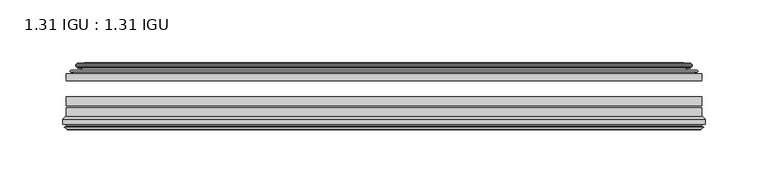
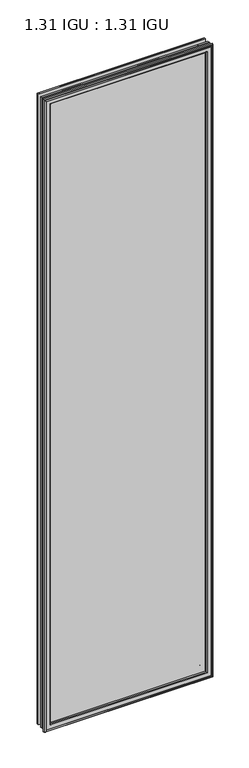
"""IFC4 building model written with IfcOpenShell, lengths in millimetres: plate geometry, 1.31 IGU : 1.31 IGU."""

from ifc_helpers import new_model, si_unit, frame, origin, place, context, project, spatial, polyline, ellipse_curve, outline, extrude, source, transform, mapped, element, save
from ifc_brep_helpers import plane_surface, cylinder_surface, revolved_surface, advanced_brep


def plate_1_31_igu_1_31_igu_d328f730(model_context):
    return source(origin(), model_context, "Body", "SolidModel", [
        extrude(outline(polyline([(252.4075649, -44.8960875), (252.4075649, -50.4332875), (-252.4125, -50.4332875), (-252.4125, -44.8960875), (252.4075649, -44.8960875)])), frame((0.0, 0.0, -14.2875), z_axis=(0.0, 0.0, 1.0), x_axis=(1.0, 0.0, 0.0)), (0.0, 0.0, 1.0), 2009.67848),
        extrude(outline(polyline([(-252.4125, -78.7796875), (-252.4125, -71.7692875), (252.4075649, -71.7692875), (252.4075649, -78.7796875), (-252.4125, -78.7796875)])), frame((0.0, 0.0, -14.2875), z_axis=(0.0, 0.0, 1.0), x_axis=(1.0, 0.0, 0.0)), (0.0, 0.0, 1.0), 2009.67848),
        extrude(outline(polyline([(-252.4125, -70.2452875), (-252.4125, -63.1332875), (252.4075649, -63.1332875), (252.4075649, -70.2452875), (-252.4125, -70.2452875)])), frame((0.0, 0.0, -14.2875), z_axis=(0.0, 0.0, 1.0), x_axis=(1.0, 0.0, 0.0)), (0.0, 0.0, 1.0), 2009.67848),
        advanced_brep(
        [(-243.0671755, -37.7373382, 1986.0456555), (-238.1255426, -36.3108875, 1981.1040226), (-238.1255426, -36.3108875, -0.0005426), (-243.0671755, -37.7373382, -4.9421755), (-242.9020702, -36.9605789, 1985.8805502), (-242.9020702, -36.9605789, -4.7770702), (-243.4975559, -36.4771203, 1986.4760359), (-243.4975559, -36.4771203, -5.3725559), (-244.7621917, -37.766076, 1987.7406717), (-244.7621917, -37.766076, -6.6371917), (-244.7513749, -38.8797852, 1987.7298549), (-244.7513749, -38.8797852, -6.6263749), (-243.4698897, -40.1361433, 1986.4483697), (-243.4698897, -40.1361433, -5.3448897), (-242.8648829, -39.649943, 1985.8433629), (-242.8648829, -39.649943, -4.7398829), (-243.4188972, -39.0959287, 1986.3973772), (-243.4188972, -39.0959287, -5.2938972), (-241.1330887, -38.7029881, 1984.1115687), (-241.1330887, -38.7029881, -3.0080887), (-239.6740157, -40.2107282, 1982.6524957), (-239.6740157, -40.2107282, -1.5490157), (-239.9705976, -41.651269, 1982.9490776), (-239.9705976, -41.651269, -1.8455976), (-240.7418221, -42.2798875, 1983.7203021), (-240.7418221, -42.2798875, -2.6168221), (-249.0457984, -43.4871542, 1992.0242784), (-248.7705969, -42.2798875, 1991.7490769), (-248.7705969, -42.2798875, -10.6455969), (-249.0457984, -43.4871542, -10.9207984), (-245.5882297, -44.8960875, 1988.5667097), (-245.5882297, -44.8960875, -7.4632297), (-234.4906059, -44.023302, 1977.4690859), (-234.8459439, -44.8960875, 1977.8244239), (-234.8459439, -44.8960875, 3.2790561), (-234.4906059, -44.023302, 3.6343941), (-235.161804, -43.3681812, 1978.140284), (-235.161804, -43.3681812, 2.963196), (-236.8025946, -40.6686056, 1979.7810746), (-236.8025946, -40.6686056, 1.3224054), (238.1255426, -36.3108875, -0.0005426), (243.0671755, -37.7373382, -4.9421755), (242.9020702, -36.9605789, -4.7770702), (243.4975559, -36.4771203, -5.3725559), (244.7621917, -37.766076, -6.6371917), (244.7513749, -38.8797852, -6.6263749), (243.4698897, -40.1361433, -5.3448897), (242.8648829, -39.649943, -4.7398829), (243.4188972, -39.0959287, -5.2938972), (241.1330887, -38.7029881, -3.0080887), (239.6740157, -40.2107282, -1.5490157), (239.9705976, -41.651269, -1.8455976), (240.7418221, -42.2798875, -2.6168221), (248.7705969, -42.2798875, -10.6455969), (249.0457984, -43.4871542, -10.9207984), (245.5882297, -44.8960875, -7.4632297), (234.8459439, -44.8960875, 3.2790561), (234.4906059, -44.023302, 3.6343941), (235.161804, -43.3681812, 2.963196), (236.8025946, -40.6686056, 1.3224054), (238.1255426, -36.3108875, 1981.1040226), (243.0671755, -37.7373382, 1986.0456555), (242.9020702, -36.9605789, 1985.8805502), (243.4975559, -36.4771203, 1986.4760359), (244.7621917, -37.766076, 1987.7406717), (244.7513749, -38.8797852, 1987.7298549), (243.4698897, -40.1361433, 1986.4483697), (242.8648829, -39.649943, 1985.8433629), (243.4188972, -39.0959287, 1986.3973772), (241.1330887, -38.7029881, 1984.1115687), (239.6740157, -40.2107282, 1982.6524957), (239.9705976, -41.651269, 1982.9490776), (240.7418221, -42.2798875, 1983.7203021), (248.7705969, -42.2798875, 1991.7490769), (249.0457984, -43.4871542, 1992.0242784), (245.5882297, -44.8960875, 1988.5667097), (234.8459439, -44.8960875, 1977.8244239), (234.4906059, -44.023302, 1977.4690859), (235.161804, -43.3681812, 1978.140284), (236.8025946, -40.6686056, 1979.7810746)],
        [
            (0, 1),
            (1, 2),
            (2, 3),
            (3, 0),
            (4, 0),
            (3, 5),
            (5, 4),
            (6, 4, ellipse_curve(frame((-243.2225871, -36.746901, 1986.2010671), z_axis=(-0.7071067811865475, 0.0, -0.7071067811865475), x_axis=(-0.7071067811865474, 0.0, 0.7071067811865476)), 0.5447741, 0.3852135)),
            (5, 7, ellipse_curve(frame((-243.2225871, -36.746901, -5.0975871), z_axis=(-0.7071067811865475, 0.0, 0.7071067811865475), x_axis=(0.7071067811865474, 0.0, 0.7071067811865476)), 0.5447741, 0.3852135)),
            (7, 6),
            (8, 6),
            (7, 9),
            (9, 8),
            (10, 8, ellipse_curve(frame((-244.2001387, -38.3175243, 1987.1786187), z_axis=(-0.7071067811865475, 0.0, -0.7071067811865475), x_axis=(-0.7071067811865474, 0.0, 0.7071067811865476)), 1.1135518, 0.7874)),
            (9, 11, ellipse_curve(frame((-244.2001387, -38.3175243, -6.0751387), z_axis=(-0.7071067811865475, 0.0, 0.7071067811865475), x_axis=(0.7071067811865474, 0.0, 0.7071067811865476)), 1.1135518, 0.7874)),
            (11, 10),
            (12, 10),
            (11, 13),
            (13, 12),
            (14, 12, ellipse_curve(frame((-243.1962922, -39.8570738, 1986.1747722), z_axis=(-0.7071067811865475, 0.0, -0.7071067811865475), x_axis=(-0.7071067811865474, 0.0, 0.7071067811865476)), 0.552694, 0.3908137)),
            (13, 15, ellipse_curve(frame((-243.1962922, -39.8570738, -5.0712922), z_axis=(-0.7071067811865475, 0.0, 0.7071067811865475), x_axis=(0.7071067811865474, 0.0, 0.7071067811865476)), 0.552694, 0.3908137)),
            (15, 14),
            (16, 14),
            (15, 17),
            (17, 16),
            (18, 16),
            (17, 19),
            (19, 18),
            (20, 18, ellipse_curve(frame((-240.9179261, -39.954629, 1983.8964061), z_axis=(0.7071067811865475, 0.0, 0.7071067811865475), x_axis=(0.7071067811865474, 0.0, -0.7071067811865476)), 1.7960512, 1.27)),
            (19, 21, ellipse_curve(frame((-240.9179261, -39.954629, -2.7929261), z_axis=(0.7071067811865475, 0.0, -0.7071067811865475), x_axis=(-0.7071067811865474, 0.0, -0.7071067811865476)), 1.7960512, 1.27)),
            (21, 20),
            (22, 20),
            (21, 23),
            (23, 22),
            (24, 22, ellipse_curve(frame((-240.7418221, -41.4924875, 1983.7203021), z_axis=(0.7071067811865475, 0.0, 0.7071067811865475), x_axis=(0.7071067811865474, 0.0, -0.7071067811865476)), 1.1135518, 0.7874)),
            (23, 25, ellipse_curve(frame((-240.7418221, -41.4924875, -2.6168221), z_axis=(0.7071067811865475, 0.0, -0.7071067811865475), x_axis=(-0.7071067811865474, 0.0, -0.7071067811865476)), 1.1135518, 0.7874)),
            (25, 24),
            (26, 27, ellipse_curve(frame((-248.7705969, -42.9148875, 1991.7490769), z_axis=(-0.7071067811865475, 0.0, -0.7071067811865475), x_axis=(-0.7071067811865474, 0.0, 0.7071067811865476)), 0.8980256, 0.635)),
            (27, 28),
            (28, 29, ellipse_curve(frame((-248.7705969, -42.9148875, -10.6455969), z_axis=(-0.7071067811865475, 0.0, 0.7071067811865475), x_axis=(0.7071067811865474, 0.0, 0.7071067811865476)), 0.8980256, 0.635)),
            (29, 26),
            (30, 26),
            (29, 31),
            (31, 30),
            (32, 33, ellipse_curve(frame((-234.8459439, -44.3873602, 1977.8244239), z_axis=(-0.7071067811865475, 0.0, -0.7071067811865475), x_axis=(-0.7071067811865474, 0.0, 0.7071067811865476)), 0.719449, 0.5087273)),
            (33, 34),
            (34, 35, ellipse_curve(frame((-234.8459439, -44.3873602, 3.2790561), z_axis=(-0.7071067811865475, 0.0, 0.7071067811865475), x_axis=(0.7071067811865474, 0.0, 0.7071067811865476)), 0.719449, 0.5087273)),
            (35, 32),
            (36, 32),
            (35, 37),
            (37, 36),
            (38, 36, ellipse_curve(frame((-230.7264298, -38.823959, 1973.7049098), z_axis=(0.7071067811865475, 0.0, 0.7071067811865475), x_axis=(0.7071067811865474, 0.0, -0.7071067811865476)), 8.9802561, 6.35)),
            (37, 39, ellipse_curve(frame((-230.7264298, -38.823959, 7.3985702), z_axis=(0.7071067811865475, 0.0, -0.7071067811865475), x_axis=(-0.7071067811865474, 0.0, -0.7071067811865476)), 8.9802561, 6.35)),
            (39, 38),
            (1, 38),
            (39, 2),
            (2, 40),
            (40, 41),
            (41, 3),
            (41, 42),
            (42, 5),
            (42, 43, ellipse_curve(frame((243.2225871, -36.746901, -5.0975871), z_axis=(-0.7071067811865475, 0.0, -0.7071067811865475), x_axis=(-0.7071067811865476, 0.0, 0.7071067811865474)), 0.5447741, 0.3852135)),
            (43, 7),
            (43, 44),
            (44, 9),
            (44, 45, ellipse_curve(frame((244.2001387, -38.3175243, -6.0751387), z_axis=(-0.7071067811865475, 0.0, -0.7071067811865475), x_axis=(-0.7071067811865476, 0.0, 0.7071067811865474)), 1.1135518, 0.7874)),
            (45, 11),
            (45, 46),
            (46, 13),
            (46, 47, ellipse_curve(frame((243.1962922, -39.8570738, -5.0712922), z_axis=(-0.7071067811865475, 0.0, -0.7071067811865475), x_axis=(-0.7071067811865476, 0.0, 0.7071067811865474)), 0.552694, 0.3908137)),
            (47, 15),
            (47, 48),
            (48, 17),
            (48, 49),
            (49, 19),
            (49, 50, ellipse_curve(frame((240.9179261, -39.954629, -2.7929261), z_axis=(0.7071067811865475, 0.0, 0.7071067811865475), x_axis=(0.7071067811865476, 0.0, -0.7071067811865474)), 1.7960512, 1.27)),
            (50, 21),
            (50, 51),
            (51, 23),
            (51, 52, ellipse_curve(frame((240.7418221, -41.4924875, -2.6168221), z_axis=(0.7071067811865475, 0.0, 0.7071067811865475), x_axis=(0.7071067811865476, 0.0, -0.7071067811865474)), 1.1135518, 0.7874)),
            (52, 25),
            (28, 53),
            (53, 54, ellipse_curve(frame((248.7705969, -42.9148875, -10.6455969), z_axis=(-0.7071067811865475, 0.0, -0.7071067811865475), x_axis=(-0.7071067811865476, 0.0, 0.7071067811865474)), 0.8980256, 0.635)),
            (54, 29),
            (54, 55),
            (55, 31),
            (34, 56),
            (56, 57, ellipse_curve(frame((234.8459439, -44.3873602, 3.2790561), z_axis=(-0.7071067811865475, 0.0, -0.7071067811865475), x_axis=(-0.7071067811865476, 0.0, 0.7071067811865474)), 0.719449, 0.5087273)),
            (57, 35),
            (57, 58),
            (58, 37),
            (58, 59, ellipse_curve(frame((230.7264298, -38.823959, 7.3985702), z_axis=(0.7071067811865475, 0.0, 0.7071067811865475), x_axis=(0.7071067811865476, 0.0, -0.7071067811865474)), 8.9802561, 6.35)),
            (59, 39),
            (59, 40),
            (40, 60),
            (60, 61),
            (61, 41),
            (61, 62),
            (62, 42),
            (62, 63, ellipse_curve(frame((243.2225871, -36.746901, 1986.2010671), z_axis=(0.7071067811865475, 0.0, -0.7071067811865475), x_axis=(-0.7071067811865474, 0.0, -0.7071067811865476)), 0.5447741, 0.3852135)),
            (63, 43),
            (63, 64),
            (64, 44),
            (64, 65, ellipse_curve(frame((244.2001387, -38.3175243, 1987.1786187), z_axis=(0.7071067811865475, 0.0, -0.7071067811865475), x_axis=(-0.7071067811865474, 0.0, -0.7071067811865476)), 1.1135518, 0.7874)),
            (65, 45),
            (65, 66),
            (66, 46),
            (66, 67, ellipse_curve(frame((243.1962922, -39.8570738, 1986.1747722), z_axis=(0.7071067811865475, 0.0, -0.7071067811865475), x_axis=(-0.7071067811865474, 0.0, -0.7071067811865476)), 0.552694, 0.3908137)),
            (67, 47),
            (67, 68),
            (68, 48),
            (68, 69),
            (69, 49),
            (69, 70, ellipse_curve(frame((240.9179261, -39.954629, 1983.8964061), z_axis=(-0.7071067811865475, 0.0, 0.7071067811865475), x_axis=(0.7071067811865474, 0.0, 0.7071067811865476)), 1.7960512, 1.27)),
            (70, 50),
            (70, 71),
            (71, 51),
            (71, 72, ellipse_curve(frame((240.7418221, -41.4924875, 1983.7203021), z_axis=(-0.7071067811865475, 0.0, 0.7071067811865475), x_axis=(0.7071067811865474, 0.0, 0.7071067811865476)), 1.1135518, 0.7874)),
            (72, 52),
            (53, 73),
            (73, 74, ellipse_curve(frame((248.7705969, -42.9148875, 1991.7490769), z_axis=(0.7071067811865475, 0.0, -0.7071067811865475), x_axis=(-0.7071067811865474, 0.0, -0.7071067811865476)), 0.8980256, 0.635)),
            (74, 54),
            (74, 75),
            (75, 55),
            (56, 76),
            (76, 77, ellipse_curve(frame((234.8459439, -44.3873602, 1977.8244239), z_axis=(0.7071067811865475, 0.0, -0.7071067811865475), x_axis=(-0.7071067811865474, 0.0, -0.7071067811865476)), 0.719449, 0.5087273)),
            (77, 57),
            (77, 78),
            (78, 58),
            (78, 79, ellipse_curve(frame((230.7264298, -38.823959, 1973.7049098), z_axis=(-0.7071067811865475, 0.0, 0.7071067811865475), x_axis=(0.7071067811865474, 0.0, 0.7071067811865476)), 8.9802561, 6.35)),
            (79, 59),
            (79, 60),
            (60, 1),
            (0, 61),
            (4, 62),
            (6, 63),
            (8, 64),
            (10, 65),
            (12, 66),
            (14, 67),
            (16, 68),
            (18, 69),
            (20, 70),
            (22, 71),
            (24, 72),
            (27, 73),
            (26, 74),
            (30, 75),
            (33, 76),
            (32, 77),
            (36, 78),
            (38, 79),
        ],
        [
            plane_surface(frame((-238.1255426, -36.3108875, 1981.1040226), z_axis=(-0.27733649284928547, 0.9607728502273877, 0.0), x_axis=(0.0, 0.0, -1.0))),
            plane_surface(frame((-243.0671755, -37.7373382, 1986.0456555), z_axis=(0.9781476007338358, -0.20791169081761768, 0.0), x_axis=(0.0, 0.0, -1.0))),
            cylinder_surface(frame((-243.2225871, -36.746901, 2012.85348), z_axis=(0.0, 0.0, 1.0), x_axis=(-1.0, 0.0, 0.0)), 0.3852135),
            plane_surface(frame((-243.4975559, -36.4771203, 1986.4760359), z_axis=(-0.7138087599382162, 0.7003406701280928, 0.0), x_axis=(0.0, 0.0, -1.0))),
            cylinder_surface(frame((-244.2001387, -38.3175243, 2012.85348), z_axis=(0.0, 0.0, 1.0), x_axis=(-1.0, 0.0, 0.0)), 0.7874),
            plane_surface(frame((-244.7513749, -38.8797852, 1987.7298549), z_axis=(-0.7000714109283732, -0.7140728391423082, 0.0), x_axis=(0.0, 0.0, -1.0))),
            cylinder_surface(frame((-243.1962922, -39.8570738, 2012.85348), z_axis=(0.0, 0.0, 1.0), x_axis=(-1.0, 0.0, 0.0)), 0.3908137),
            plane_surface(frame((-242.8648829, -39.649943, 1985.8433629), z_axis=(0.7071067811861125, 0.7071067811869827, 0.0), x_axis=(0.0, 0.0, -1.0))),
            plane_surface(frame((-243.4188972, -39.0959287, 1986.3973772), z_axis=(0.16941940671011485, -0.9855440449974789, 0.0), x_axis=(0.0, 0.0, -1.0))),
            revolved_surface(polyline([(-242.1879261, -39.954629, -4.062926082878221), (-242.1879261, -39.954629, 1985.1664060828782)]), (-240.9179261, -39.954629, 2012.85348), (0.0, 0.0, -1.0)),
            plane_surface(frame((-239.6740157, -40.2107282, 1982.6524957), z_axis=(-0.9794570432566897, 0.20165292067030197, 0.0), x_axis=(0.0, 0.0, -1.0))),
            revolved_surface(polyline([(-241.5292221, -41.4924875, -3.4042221289826102), (-241.5292221, -41.4924875, 1984.5077021289826)]), (-240.7418221, -41.4924875, 2012.85348), (0.0, 0.0, -1.0)),
            cylinder_surface(frame((-248.7705969, -42.9148875, 2012.85348), z_axis=(0.0, 0.0, 1.0), x_axis=(-1.0, 0.0, 0.0)), 0.635),
            plane_surface(frame((-249.0457984, -43.4871542, 1992.0242784), z_axis=(-0.3773644754275793, -0.9260648209954139, 0.0), x_axis=(0.0, 0.0, -1.0))),
            cylinder_surface(frame((-234.8459439, -44.3873602, 2012.85348), z_axis=(0.0, 0.0, 1.0), x_axis=(-1.0, 0.0, 0.0)), 0.5087273),
            plane_surface(frame((-234.4906059, -44.023302, 1977.4690859), z_axis=(0.698484125849927, 0.7156255486884628, 0.0), x_axis=(0.0, 0.0, -1.0))),
            revolved_surface(polyline([(-237.0764298, -38.823959, 1.0485702148980636), (-237.0764298, -38.823959, 1980.054909785102)]), (-230.7264298, -38.823959, 2012.85348), (0.0, 0.0, -1.0)),
            plane_surface(frame((-236.8025946, -40.6686056, 1979.7810746), z_axis=(0.9568763473517009, 0.2904955350411896, 0.0), x_axis=(0.0, 0.0, -1.0))),
            plane_surface(frame((-238.1255426, -36.3108875, -0.0005426), z_axis=(0.0, 0.9607728502273868, -0.2773364928492885), x_axis=(1.0, 0.0, 0.0))),
            plane_surface(frame((-243.0671755, -37.7373382, -4.9421755), z_axis=(0.0, -0.20791169081761454, 0.9781476007338364), x_axis=(1.0, 0.0, 0.0))),
            cylinder_surface(frame((-269.875, -36.746901, -5.0975871), z_axis=(-1.0, 0.0, 0.0), x_axis=(0.0, 0.0, -1.0)), 0.3852135),
            plane_surface(frame((-243.4975559, -36.4771203, -5.3725559), z_axis=(0.0, 0.7003406701280904, -0.7138087599382185), x_axis=(1.0, 0.0, 0.0))),
            cylinder_surface(frame((-269.875, -38.3175243, -6.0751387), z_axis=(-1.0, 0.0, 0.0), x_axis=(0.0, 0.0, -1.0)), 0.7874),
            plane_surface(frame((-244.7513749, -38.8797852, -6.6263749), z_axis=(0.0, -0.7140728391423105, -0.7000714109283709), x_axis=(1.0, 0.0, 0.0))),
            cylinder_surface(frame((-269.875, -39.8570738, -5.0712922), z_axis=(-1.0, 0.0, 0.0), x_axis=(0.0, 0.0, -1.0)), 0.3908137),
            plane_surface(frame((-242.8648829, -39.649943, -4.7398829), z_axis=(0.0, 0.7071067811869849, 0.7071067811861103), x_axis=(1.0, 0.0, 0.0))),
            plane_surface(frame((-243.4188972, -39.0959287, -5.2938972), z_axis=(0.0, -0.9855440449974784, 0.16941940671011801), x_axis=(1.0, 0.0, 0.0))),
            revolved_surface(polyline([(242.18792608287822, -39.954629, -4.0629261), (-242.18792608287822, -39.954629, -4.0629261)]), (-269.875, -39.954629, -2.7929261), (1.0, 0.0, 0.0)),
            plane_surface(frame((-239.6740157, -40.2107282, -1.5490157), z_axis=(0.0, 0.20165292067029883, -0.9794570432566904), x_axis=(1.0, 0.0, 0.0))),
            revolved_surface(polyline([(241.5292221289825, -41.4924875, -3.4042220999999997), (-241.5292221289825, -41.4924875, -3.4042220999999997)]), (-269.875, -41.4924875, -2.6168221), (1.0, 0.0, 0.0)),
            cylinder_surface(frame((-269.875, -42.9148875, -10.6455969), z_axis=(-1.0, 0.0, 0.0), x_axis=(0.0, 0.0, -1.0)), 0.635),
            plane_surface(frame((-249.0457984, -43.4871542, -10.9207984), z_axis=(0.0, -0.9260648209954151, -0.37736447542757634), x_axis=(1.0, 0.0, 0.0))),
            cylinder_surface(frame((-269.875, -44.3873602, 3.2790561), z_axis=(-1.0, 0.0, 0.0), x_axis=(0.0, 0.0, -1.0)), 0.5087273),
            plane_surface(frame((-234.4906059, -44.023302, 3.6343941), z_axis=(0.0, 0.7156255486884651, 0.6984841258499247), x_axis=(1.0, 0.0, 0.0))),
            revolved_surface(polyline([(237.07642978510188, -38.823959, 1.0485702000000003), (-237.07642978510188, -38.823959, 1.0485702000000003)]), (-269.875, -38.823959, 7.3985702), (1.0, 0.0, 0.0)),
            plane_surface(frame((-236.8025946, -40.6686056, 1.3224054), z_axis=(0.0, 0.29049553504119263, 0.9568763473517), x_axis=(1.0, 0.0, 0.0))),
            plane_surface(frame((238.1255426, -36.3108875, -0.0005426), z_axis=(0.27733649284929157, 0.9607728502273859, 0.0), x_axis=(0.0, 0.0, 1.0))),
            plane_surface(frame((243.0671755, -37.7373382, -4.9421755), z_axis=(-0.9781476007338371, -0.2079116908176114, 0.0), x_axis=(0.0, 0.0, 1.0))),
            cylinder_surface(frame((243.2225871, -36.746901, -31.75), z_axis=(0.0, 0.0, -1.0), x_axis=(1.0, 0.0, 0.0)), 0.3852135),
            plane_surface(frame((243.4975559, -36.4771203, -5.3725559), z_axis=(0.7138087599382208, 0.7003406701280882, 0.0), x_axis=(0.0, 0.0, 1.0))),
            cylinder_surface(frame((244.2001387, -38.3175243, -31.75), z_axis=(0.0, 0.0, -1.0), x_axis=(1.0, 0.0, 0.0)), 0.7874),
            plane_surface(frame((244.7513749, -38.8797852, -6.6263749), z_axis=(0.7000714109283687, -0.7140728391423128, 0.0), x_axis=(0.0, 0.0, 1.0))),
            cylinder_surface(frame((243.1962922, -39.8570738, -31.75), z_axis=(0.0, 0.0, -1.0), x_axis=(1.0, 0.0, 0.0)), 0.3908137),
            plane_surface(frame((242.8648829, -39.649943, -4.7398829), z_axis=(-0.707106781186108, 0.7071067811869871, 0.0), x_axis=(0.0, 0.0, 1.0))),
            plane_surface(frame((243.4188972, -39.0959287, -5.2938972), z_axis=(-0.16941940671012118, -0.9855440449974778, 0.0), x_axis=(0.0, 0.0, 1.0))),
            revolved_surface(polyline([(242.1879261, -39.954629, 1985.1664060828782), (242.1879261, -39.954629, -4.062926082878235)]), (240.9179261, -39.954629, -31.75), (0.0, 0.0, 1.0)),
            plane_surface(frame((239.6740157, -40.2107282, -1.5490157), z_axis=(0.979457043256691, 0.2016529206702957, 0.0), x_axis=(0.0, 0.0, 1.0))),
            revolved_surface(polyline([(241.5292221, -41.4924875, 1984.5077021289826), (241.5292221, -41.4924875, -3.404222128982486)]), (240.7418221, -41.4924875, -31.75), (0.0, 0.0, 1.0)),
            cylinder_surface(frame((248.7705969, -42.9148875, -31.75), z_axis=(0.0, 0.0, -1.0), x_axis=(1.0, 0.0, 0.0)), 0.635),
            plane_surface(frame((249.0457984, -43.4871542, -10.9207984), z_axis=(0.3773644754275734, -0.9260648209954163, 0.0), x_axis=(0.0, 0.0, 1.0))),
            cylinder_surface(frame((234.8459439, -44.3873602, -31.75), z_axis=(0.0, 0.0, -1.0), x_axis=(1.0, 0.0, 0.0)), 0.5087273),
            plane_surface(frame((234.4906059, -44.023302, 3.6343941), z_axis=(-0.6984841258499224, 0.7156255486884673, 0.0), x_axis=(0.0, 0.0, 1.0))),
            revolved_surface(polyline([(237.0764298, -38.823959, 1980.054909785102), (237.0764298, -38.823959, 1.0485702148981417)]), (230.7264298, -38.823959, -31.75), (0.0, 0.0, 1.0)),
            plane_surface(frame((236.8025946, -40.6686056, 1.3224054), z_axis=(-0.9568763473516991, 0.2904955350411957, 0.0), x_axis=(0.0, 0.0, 1.0))),
            plane_surface(frame((238.1255426, -36.3108875, 1981.1040226), z_axis=(0.0, 0.9607728502273868, 0.2773364928492885), x_axis=(-1.0, 0.0, 0.0))),
            plane_surface(frame((243.0671755, -37.7373382, 1986.0456555), z_axis=(0.0, -0.20791169081761454, -0.9781476007338364), x_axis=(-1.0, 0.0, 0.0))),
            cylinder_surface(frame((269.875, -36.746901, 1986.2010671), z_axis=(1.0, 0.0, 0.0), x_axis=(0.0, 0.0, 1.0)), 0.3852135),
            plane_surface(frame((243.4975559, -36.4771203, 1986.4760359), z_axis=(0.0, 0.7003406701280904, 0.7138087599382185), x_axis=(-1.0, 0.0, 0.0))),
            cylinder_surface(frame((269.875, -38.3175243, 1987.1786187), z_axis=(1.0, 0.0, 0.0), x_axis=(0.0, 0.0, 1.0)), 0.7874),
            plane_surface(frame((244.7513749, -38.8797852, 1987.7298549), z_axis=(0.0, -0.7140728391423106, 0.700071410928371), x_axis=(-1.0, 0.0, 0.0))),
            cylinder_surface(frame((269.875, -39.8570738, 1986.1747722), z_axis=(1.0, 0.0, 0.0), x_axis=(0.0, 0.0, 1.0)), 0.3908137),
            plane_surface(frame((242.8648829, -39.649943, 1985.8433629), z_axis=(0.0, 0.7071067811869849, -0.7071067811861103), x_axis=(-1.0, 0.0, 0.0))),
            plane_surface(frame((243.4188972, -39.0959287, 1986.3973772), z_axis=(0.0, -0.9855440449974784, -0.16941940671011801), x_axis=(-1.0, 0.0, 0.0))),
            revolved_surface(polyline([(-242.18792608287822, -39.954629, 1985.1664061), (242.18792608287822, -39.954629, 1985.1664061)]), (269.875, -39.954629, 1983.8964061), (-1.0, 0.0, 0.0)),
            plane_surface(frame((239.6740157, -40.2107282, 1982.6524957), z_axis=(0.0, 0.20165292067029883, 0.9794570432566904), x_axis=(-1.0, 0.0, 0.0))),
            revolved_surface(polyline([(-241.5292221289825, -41.4924875, 1984.5077021), (241.5292221289825, -41.4924875, 1984.5077021)]), (269.875, -41.4924875, 1983.7203021), (-1.0, 0.0, 0.0)),
            plane_surface(frame((240.7418221, -42.2798875, 1983.7203021), z_axis=(0.0, 1.0, 0.0), x_axis=(-1.0, 0.0, 0.0))),
            cylinder_surface(frame((269.875, -42.9148875, 1991.7490769), z_axis=(1.0, 0.0, 0.0), x_axis=(0.0, 0.0, 1.0)), 0.635),
            plane_surface(frame((249.0457984, -43.4871542, 1992.0242784), z_axis=(0.0, -0.9260648209954151, 0.37736447542757634), x_axis=(-1.0, 0.0, 0.0))),
            plane_surface(frame((245.5882297, -44.8960875, 1988.5667097), z_axis=(0.0, -1.0, 0.0), x_axis=(-1.0, 0.0, 0.0))),
            cylinder_surface(frame((269.875, -44.3873602, 1977.8244239), z_axis=(1.0, 0.0, 0.0), x_axis=(0.0, 0.0, 1.0)), 0.5087273),
            plane_surface(frame((234.4906059, -44.023302, 1977.4690859), z_axis=(0.0, 0.7156255486884651, -0.6984841258499247), x_axis=(-1.0, 0.0, 0.0))),
            revolved_surface(polyline([(-237.07642978510188, -38.823959, 1980.0549098), (237.07642978510188, -38.823959, 1980.0549098)]), (269.875, -38.823959, 1973.7049098), (-1.0, 0.0, 0.0)),
            plane_surface(frame((236.8025946, -40.6686056, 1979.7810746), z_axis=(0.0, 0.29049553504119263, -0.9568763473517), x_axis=(-1.0, 0.0, 0.0))),
        ],
        [
            (0, [[1, 2, 3, 4]]),
            (1, [[5, -4, 6, 7]]),
            (2, [[8, -7, 9, 10]]),
            (3, [[11, -10, 12, 13]]),
            (4, [[14, -13, 15, 16]]),
            (5, [[17, -16, 18, 19]]),
            (6, [[20, -19, 21, 22]]),
            (7, [[23, -22, 24, 25]]),
            (8, [[26, -25, 27, 28]]),
            (9, [[29, -28, 30, 31]]),
            (10, [[32, -31, 33, 34]]),
            (11, [[35, -34, 36, 37]]),
            (12, [[38, 39, 40, 41]]),
            (13, [[42, -41, 43, 44]]),
            (14, [[45, 46, 47, 48]]),
            (15, [[49, -48, 50, 51]]),
            (16, [[52, -51, 53, 54]]),
            (17, [[55, -54, 56, -2]]),
            (18, [[-3, 57, 58, 59]]),
            (19, [[-6, -59, 60, 61]]),
            (20, [[-9, -61, 62, 63]]),
            (21, [[-12, -63, 64, 65]]),
            (22, [[-15, -65, 66, 67]]),
            (23, [[-18, -67, 68, 69]]),
            (24, [[-21, -69, 70, 71]]),
            (25, [[-24, -71, 72, 73]]),
            (26, [[-27, -73, 74, 75]]),
            (27, [[-30, -75, 76, 77]]),
            (28, [[-33, -77, 78, 79]]),
            (29, [[-36, -79, 80, 81]]),
            (30, [[-40, 82, 83, 84]]),
            (31, [[-43, -84, 85, 86]]),
            (32, [[-47, 87, 88, 89]]),
            (33, [[-50, -89, 90, 91]]),
            (34, [[-53, -91, 92, 93]]),
            (35, [[-56, -93, 94, -57]]),
            (36, [[-58, 95, 96, 97]]),
            (37, [[-60, -97, 98, 99]]),
            (38, [[-62, -99, 100, 101]]),
            (39, [[-64, -101, 102, 103]]),
            (40, [[-66, -103, 104, 105]]),
            (41, [[-68, -105, 106, 107]]),
            (42, [[-70, -107, 108, 109]]),
            (43, [[-72, -109, 110, 111]]),
            (44, [[-74, -111, 112, 113]]),
            (45, [[-76, -113, 114, 115]]),
            (46, [[-78, -115, 116, 117]]),
            (47, [[-80, -117, 118, 119]]),
            (48, [[-83, 120, 121, 122]]),
            (49, [[-85, -122, 123, 124]]),
            (50, [[-88, 125, 126, 127]]),
            (51, [[-90, -127, 128, 129]]),
            (52, [[-92, -129, 130, 131]]),
            (53, [[-94, -131, 132, -95]]),
            (54, [[-96, 133, -1, 134]]),
            (55, [[-98, -134, -5, 135]]),
            (56, [[-100, -135, -8, 136]]),
            (57, [[-102, -136, -11, 137]]),
            (58, [[-104, -137, -14, 138]]),
            (59, [[-106, -138, -17, 139]]),
            (60, [[-108, -139, -20, 140]]),
            (61, [[-110, -140, -23, 141]]),
            (62, [[-112, -141, -26, 142]]),
            (63, [[-114, -142, -29, 143]]),
            (64, [[-116, -143, -32, 144]]),
            (65, [[-118, -144, -35, 145]]),
            (66, [[146, -120, -82, -39], [-81, -119, -145, -37]]),
            (67, [[-121, -146, -38, 147]]),
            (68, [[-123, -147, -42, 148]]),
            (69, [[-86, -124, -148, -44], [149, -125, -87, -46]]),
            (70, [[-126, -149, -45, 150]]),
            (71, [[-128, -150, -49, 151]]),
            (72, [[-130, -151, -52, 152]]),
            (73, [[-132, -152, -55, -133]]),
        ],
    ),
        advanced_brep(
        [(-235.4374494, -83.3389875, 1978.4159294), (-237.2125155, -85.1296875, 1980.1909955), (-237.2125155, -85.1296875, 0.9124845), (-235.4374494, -83.3389875, 2.6875506), (-234.4142401, -78.7796875, 1977.3927201), (-234.4142401, -78.7796875, 3.7107599), (-254.9949491, -80.9740477, 1997.9734291), (-252.8005889, -78.7796875, 1995.7790689), (-252.8005889, -78.7796875, -14.6755889), (-254.9949491, -80.9740477, -16.8699491), (-254.9949491, -85.1296875, 1997.9734291), (-254.9949491, -85.1296875, -16.8699491), (-252.4698889, -86.3747112, 1995.4483689), (-253.2211159, -85.1296875, 1996.1995959), (-253.2211159, -85.1296875, -15.0961159), (-252.4698889, -86.3747112, -14.3448889), (-252.1603598, -87.6502863, 1995.1388398), (-252.1603598, -87.6502863, -14.0353598), (-253.1784732, -87.2076396, 1996.1569532), (-253.1784732, -87.2076396, -15.0534732), (-251.4914838, -88.8840626, 1994.4699638), (-253.9731832, -87.2076396, 1996.9516632), (-253.9731832, -87.2076396, -15.8481832), (-251.4914838, -88.8840626, -13.3664838), (-249.3396584, -86.9401656, 1992.3181384), (-249.3396584, -86.9401656, -11.2146584), (-251.0470126, -87.5528811, 1994.0254926), (-250.1212314, -86.9401656, 1993.0997114), (-250.1212314, -86.9401656, -11.9962314), (-251.0470126, -87.5528811, -12.9220126), (-250.9636873, -86.2429356, 1993.9421673), (-250.9636873, -86.2429356, -12.8386873), (-250.3654492, -85.1296875, 1993.3439292), (-250.3654492, -85.1296875, -12.2404492), (237.2125155, -85.1296875, 0.9124845), (235.4374494, -83.3389875, 2.6875506), (234.4142401, -78.7796875, 3.7107599), (252.8005889, -78.7796875, -14.6755889), (254.9949491, -80.9740477, -16.8699491), (254.9949491, -85.1296875, -16.8699491), (253.2211159, -85.1296875, -15.0961159), (252.4698889, -86.3747112, -14.3448889), (252.1603598, -87.6502863, -14.0353598), (253.1784732, -87.2076396, -15.0534732), (253.9731832, -87.2076396, -15.8481832), (251.4914838, -88.8840626, -13.3664838), (249.3396584, -86.9401656, -11.2146584), (250.1212314, -86.9401656, -11.9962314), (251.0470126, -87.5528811, -12.9220126), (250.9636873, -86.2429356, -12.8386873), (250.3654492, -85.1296875, -12.2404492), (237.2125155, -85.1296875, 1980.1909955), (235.4374494, -83.3389875, 1978.4159294), (234.4142401, -78.7796875, 1977.3927201), (252.8005889, -78.7796875, 1995.7790689), (254.9949491, -80.9740477, 1997.9734291), (254.9949491, -85.1296875, 1997.9734291), (253.2211159, -85.1296875, 1996.1995959), (252.4698889, -86.3747112, 1995.4483689), (252.1603598, -87.6502863, 1995.1388398), (253.1784732, -87.2076396, 1996.1569532), (253.9731832, -87.2076396, 1996.9516632), (251.4914838, -88.8840626, 1994.4699638), (249.3396584, -86.9401656, 1992.3181384), (250.1212314, -86.9401656, 1993.0997114), (251.0470126, -87.5528811, 1994.0254926), (250.9636873, -86.2429356, 1993.9421673), (250.3654492, -85.1296875, 1993.3439292)],
        [
            (0, 1, ellipse_curve(frame((-237.4639505, -83.1053133, 1980.4424305), z_axis=(-0.7071067811865475, 0.0, -0.7071067811865475), x_axis=(-0.7071067811865474, 0.0, 0.7071067811865476)), 2.8848953, 2.039929)),
            (1, 2),
            (2, 3, ellipse_curve(frame((-237.4639505, -83.1053133, 0.6610495), z_axis=(-0.7071067811865475, 0.0, 0.7071067811865475), x_axis=(0.7071067811865474, 0.0, 0.7071067811865476)), 2.8848953, 2.039929)),
            (3, 0),
            (4, 0),
            (3, 5),
            (5, 4),
            (6, 7),
            (7, 8),
            (8, 9),
            (9, 6),
            (10, 6),
            (9, 11),
            (11, 10),
            (12, 13),
            (13, 14),
            (14, 15),
            (15, 12),
            (16, 12),
            (15, 17),
            (17, 16),
            (18, 16),
            (17, 19),
            (19, 18),
            (20, 21),
            (21, 22),
            (22, 23),
            (23, 20),
            (24, 20),
            (23, 25),
            (25, 24),
            (26, 27),
            (27, 28),
            (28, 29),
            (29, 26),
            (30, 26),
            (29, 31),
            (31, 30),
            (32, 30),
            (31, 33),
            (33, 32),
            (2, 34),
            (34, 35, ellipse_curve(frame((237.4639505, -83.1053133, 0.6610495), z_axis=(-0.7071067811865475, 0.0, -0.7071067811865475), x_axis=(-0.7071067811865476, 0.0, 0.7071067811865474)), 2.8848953, 2.039929)),
            (35, 3),
            (35, 36),
            (36, 5),
            (8, 37),
            (37, 38),
            (38, 9),
            (38, 39),
            (39, 11),
            (14, 40),
            (40, 41),
            (41, 15),
            (41, 42),
            (42, 17),
            (42, 43),
            (43, 19),
            (22, 44),
            (44, 45),
            (45, 23),
            (45, 46),
            (46, 25),
            (28, 47),
            (47, 48),
            (48, 29),
            (48, 49),
            (49, 31),
            (49, 50),
            (50, 33),
            (34, 51),
            (51, 52, ellipse_curve(frame((237.4639505, -83.1053133, 1980.4424305), z_axis=(0.7071067811865475, 0.0, -0.7071067811865475), x_axis=(-0.7071067811865474, 0.0, -0.7071067811865476)), 2.8848953, 2.039929)),
            (52, 35),
            (52, 53),
            (53, 36),
            (37, 54),
            (54, 55),
            (55, 38),
            (55, 56),
            (56, 39),
            (40, 57),
            (57, 58),
            (58, 41),
            (58, 59),
            (59, 42),
            (59, 60),
            (60, 43),
            (44, 61),
            (61, 62),
            (62, 45),
            (62, 63),
            (63, 46),
            (47, 64),
            (64, 65),
            (65, 48),
            (65, 66),
            (66, 49),
            (66, 67),
            (67, 50),
            (51, 1),
            (0, 52),
            (4, 53),
            (7, 54),
            (6, 55),
            (10, 56),
            (13, 57),
            (12, 58),
            (16, 59),
            (18, 60),
            (21, 61),
            (20, 62),
            (24, 63),
            (27, 64),
            (26, 65),
            (30, 66),
            (32, 67),
        ],
        [
            cylinder_surface(frame((-237.4639505, -83.1053133, 2012.85348), z_axis=(0.0, 0.0, 1.0), x_axis=(-1.0, 0.0, 0.0)), 2.039929),
            plane_surface(frame((-235.4374494, -83.3389875, 1978.4159294), z_axis=(0.9757302952562701, -0.21897577701451845, 0.0), x_axis=(0.0, 0.0, -1.0))),
            plane_surface(frame((-252.8005889, -78.7796875, 1995.7790689), z_axis=(-0.7071067811871723, 0.7071067811859227, 0.0), x_axis=(0.0, 0.0, -1.0))),
            plane_surface(frame((-254.9949491, -80.9740477, 1997.9734291), z_axis=(-1.0, 0.0, 0.0), x_axis=(0.0, 0.0, -1.0))),
            plane_surface(frame((-253.2211159, -85.1296875, 1996.1995959), z_axis=(-0.8562121193263807, -0.516624434883434, 0.0), x_axis=(0.0, 0.0, -1.0))),
            plane_surface(frame((-252.4698889, -86.3747112, 1995.4483689), z_axis=(-0.9717979666139347, -0.23581499546259127, 0.0), x_axis=(0.0, 0.0, -1.0))),
            plane_surface(frame((-252.1603598, -87.6502863, 1995.1388398), z_axis=(0.3987175451776161, 0.9170737806564616, 0.0), x_axis=(0.0, 0.0, -1.0))),
            plane_surface(frame((-253.9731832, -87.2076396, 1996.9516632), z_axis=(-0.5597655002239059, -0.8286510633306884, 0.0), x_axis=(0.0, 0.0, -1.0))),
            plane_surface(frame((-251.4914838, -88.8840626, 1994.4699638), z_axis=(0.6703456526761111, -0.7420489916024673, 0.0), x_axis=(0.0, 0.0, -1.0))),
            plane_surface(frame((-250.1212314, -86.9401656, 1993.0997114), z_axis=(-0.5519083205498945, 0.8339047941508642, 0.0), x_axis=(0.0, 0.0, -1.0))),
            plane_surface(frame((-251.0470126, -87.5528811, 1994.0254926), z_axis=(0.9979830161114805, -0.06348148984572209, 0.0), x_axis=(0.0, 0.0, -1.0))),
            plane_surface(frame((-250.9636873, -86.2429356, 1993.9421673), z_axis=(0.8808682216207324, -0.47336157019632297, 0.0), x_axis=(0.0, 0.0, -1.0))),
            cylinder_surface(frame((-269.875, -83.1053133, 0.6610495), z_axis=(-1.0, 0.0, 0.0), x_axis=(0.0, 0.0, -1.0)), 2.039929),
            plane_surface(frame((-235.4374494, -83.3389875, 2.6875506), z_axis=(0.0, -0.21897577701451534, 0.9757302952562708), x_axis=(1.0, 0.0, 0.0))),
            plane_surface(frame((-252.8005889, -78.7796875, -14.6755889), z_axis=(0.0, 0.7071067811859205, -0.7071067811871745), x_axis=(1.0, 0.0, 0.0))),
            plane_surface(frame((-254.9949491, -80.9740477, -16.8699491), z_axis=(0.0, 0.0, -1.0), x_axis=(1.0, 0.0, 0.0))),
            plane_surface(frame((-253.2211159, -85.1296875, -15.0961159), z_axis=(0.0, -0.5166244348834368, -0.8562121193263791), x_axis=(1.0, 0.0, 0.0))),
            plane_surface(frame((-252.4698889, -86.3747112, -14.3448889), z_axis=(0.0, -0.23581499546259438, -0.9717979666139339), x_axis=(1.0, 0.0, 0.0))),
            plane_surface(frame((-252.1603598, -87.6502863, -14.0353598), z_axis=(0.0, 0.9170737806564628, 0.39871754517761315), x_axis=(1.0, 0.0, 0.0))),
            plane_surface(frame((-253.9731832, -87.2076396, -15.8481832), z_axis=(0.0, -0.8286510633306902, -0.5597655002239033), x_axis=(1.0, 0.0, 0.0))),
            plane_surface(frame((-251.4914838, -88.8840626, -13.3664838), z_axis=(0.0, -0.7420489916024652, 0.6703456526761135), x_axis=(1.0, 0.0, 0.0))),
            plane_surface(frame((-250.1212314, -86.9401656, -11.9962314), z_axis=(0.0, 0.8339047941508624, -0.5519083205498971), x_axis=(1.0, 0.0, 0.0))),
            plane_surface(frame((-251.0470126, -87.5528811, -12.9220126), z_axis=(0.0, -0.0634814898457189, 0.9979830161114808), x_axis=(1.0, 0.0, 0.0))),
            plane_surface(frame((-250.9636873, -86.2429356, -12.8386873), z_axis=(0.0, -0.47336157019632014, 0.880868221620734), x_axis=(1.0, 0.0, 0.0))),
            cylinder_surface(frame((237.4639505, -83.1053133, -31.75), z_axis=(0.0, 0.0, -1.0), x_axis=(1.0, 0.0, 0.0)), 2.039929),
            plane_surface(frame((235.4374494, -83.3389875, 2.6875506), z_axis=(-0.9757302952562714, -0.21897577701451224, 0.0), x_axis=(0.0, 0.0, 1.0))),
            plane_surface(frame((252.8005889, -78.7796875, -14.6755889), z_axis=(0.7071067811871767, 0.7071067811859183, 0.0), x_axis=(0.0, 0.0, 1.0))),
            plane_surface(frame((254.9949491, -80.9740477, -16.8699491), z_axis=(1.0, 0.0, 0.0), x_axis=(0.0, 0.0, 1.0))),
            plane_surface(frame((253.2211159, -85.1296875, -15.0961159), z_axis=(0.8562121193263774, -0.5166244348834396, 0.0), x_axis=(0.0, 0.0, 1.0))),
            plane_surface(frame((252.4698889, -86.3747112, -14.3448889), z_axis=(0.9717979666139333, -0.23581499546259752, 0.0), x_axis=(0.0, 0.0, 1.0))),
            plane_surface(frame((252.1603598, -87.6502863, -14.0353598), z_axis=(-0.3987175451776102, 0.917073780656464, 0.0), x_axis=(0.0, 0.0, 1.0))),
            plane_surface(frame((253.9731832, -87.2076396, -15.8481832), z_axis=(0.5597655002239006, -0.8286510633306919, 0.0), x_axis=(0.0, 0.0, 1.0))),
            plane_surface(frame((251.4914838, -88.8840626, -13.3664838), z_axis=(-0.6703456526761158, -0.7420489916024631, 0.0), x_axis=(0.0, 0.0, 1.0))),
            plane_surface(frame((250.1212314, -86.9401656, -11.9962314), z_axis=(0.5519083205498998, 0.8339047941508606, 0.0), x_axis=(0.0, 0.0, 1.0))),
            plane_surface(frame((251.0470126, -87.5528811, -12.9220126), z_axis=(-0.997983016111481, -0.06348148984571571, 0.0), x_axis=(0.0, 0.0, 1.0))),
            plane_surface(frame((250.9636873, -86.2429356, -12.8386873), z_axis=(-0.8808682216207355, -0.4733615701963173, 0.0), x_axis=(0.0, 0.0, 1.0))),
            cylinder_surface(frame((269.875, -83.1053133, 1980.4424305), z_axis=(1.0, 0.0, 0.0), x_axis=(0.0, 0.0, 1.0)), 2.039929),
            plane_surface(frame((235.4374494, -83.3389875, 1978.4159294), z_axis=(0.0, -0.21897577701451534, -0.9757302952562708), x_axis=(-1.0, 0.0, 0.0))),
            plane_surface(frame((234.4142401, -78.7796875, 1977.3927201), z_axis=(0.0, 1.0, 0.0), x_axis=(-1.0, 0.0, 0.0))),
            plane_surface(frame((252.8005889, -78.7796875, 1995.7790689), z_axis=(0.0, 0.7071067811859205, 0.7071067811871745), x_axis=(-1.0, 0.0, 0.0))),
            plane_surface(frame((254.9949491, -80.9740477, 1997.9734291), z_axis=(0.0, 0.0, 1.0), x_axis=(-1.0, 0.0, 0.0))),
            plane_surface(frame((254.9949491, -85.1296875, 1997.9734291), z_axis=(0.0, -1.0, 0.0), x_axis=(-1.0, 0.0, 0.0))),
            plane_surface(frame((253.2211159, -85.1296875, 1996.1995959), z_axis=(0.0, -0.5166244348834368, 0.8562121193263791), x_axis=(-1.0, 0.0, 0.0))),
            plane_surface(frame((252.4698889, -86.3747112, 1995.4483689), z_axis=(0.0, -0.2358149954625944, 0.971797966613934), x_axis=(-1.0, 0.0, 0.0))),
            plane_surface(frame((252.1603598, -87.6502863, 1995.1388398), z_axis=(0.0, 0.9170737806564628, -0.39871754517761315), x_axis=(-1.0, 0.0, 0.0))),
            plane_surface(frame((253.1784732, -87.2076396, 1996.1569532), z_axis=(0.0, 1.0, 0.0), x_axis=(-1.0, 0.0, 0.0))),
            plane_surface(frame((253.9731832, -87.2076396, 1996.9516632), z_axis=(0.0, -0.8286510633306902, 0.5597655002239033), x_axis=(-1.0, 0.0, 0.0))),
            plane_surface(frame((251.4914838, -88.8840626, 1994.4699638), z_axis=(0.0, -0.7420489916024652, -0.6703456526761135), x_axis=(-1.0, 0.0, 0.0))),
            plane_surface(frame((249.3396584, -86.9401656, 1992.3181384), z_axis=(0.0, 1.0, 0.0), x_axis=(-1.0, 0.0, 0.0))),
            plane_surface(frame((250.1212314, -86.9401656, 1993.0997114), z_axis=(0.0, 0.8339047941508624, 0.5519083205498971), x_axis=(-1.0, 0.0, 0.0))),
            plane_surface(frame((251.0470126, -87.5528811, 1994.0254926), z_axis=(0.0, -0.0634814898457189, -0.9979830161114808), x_axis=(-1.0, 0.0, 0.0))),
            plane_surface(frame((250.9636873, -86.2429356, 1993.9421673), z_axis=(0.0, -0.47336157019632014, -0.880868221620734), x_axis=(-1.0, 0.0, 0.0))),
            plane_surface(frame((250.3654492, -85.1296875, 1993.3439292), z_axis=(0.0, -1.0, 0.0), x_axis=(-1.0, 0.0, 0.0))),
        ],
        [
            (0, [[1, 2, 3, 4]]),
            (1, [[5, -4, 6, 7]]),
            (2, [[8, 9, 10, 11]]),
            (3, [[12, -11, 13, 14]]),
            (4, [[15, 16, 17, 18]]),
            (5, [[19, -18, 20, 21]]),
            (6, [[22, -21, 23, 24]]),
            (7, [[25, 26, 27, 28]]),
            (8, [[29, -28, 30, 31]]),
            (9, [[32, 33, 34, 35]]),
            (10, [[36, -35, 37, 38]]),
            (11, [[39, -38, 40, 41]]),
            (12, [[-3, 42, 43, 44]]),
            (13, [[-6, -44, 45, 46]]),
            (14, [[-10, 47, 48, 49]]),
            (15, [[-13, -49, 50, 51]]),
            (16, [[-17, 52, 53, 54]]),
            (17, [[-20, -54, 55, 56]]),
            (18, [[-23, -56, 57, 58]]),
            (19, [[-27, 59, 60, 61]]),
            (20, [[-30, -61, 62, 63]]),
            (21, [[-34, 64, 65, 66]]),
            (22, [[-37, -66, 67, 68]]),
            (23, [[-40, -68, 69, 70]]),
            (24, [[-43, 71, 72, 73]]),
            (25, [[-45, -73, 74, 75]]),
            (26, [[-48, 76, 77, 78]]),
            (27, [[-50, -78, 79, 80]]),
            (28, [[-53, 81, 82, 83]]),
            (29, [[-55, -83, 84, 85]]),
            (30, [[-57, -85, 86, 87]]),
            (31, [[-60, 88, 89, 90]]),
            (32, [[-62, -90, 91, 92]]),
            (33, [[-65, 93, 94, 95]]),
            (34, [[-67, -95, 96, 97]]),
            (35, [[-69, -97, 98, 99]]),
            (36, [[-72, 100, -1, 101]]),
            (37, [[-74, -101, -5, 102]]),
            (38, [[103, -76, -47, -9], [-46, -75, -102, -7]]),
            (39, [[-77, -103, -8, 104]]),
            (40, [[-79, -104, -12, 105]]),
            (41, [[-51, -80, -105, -14], [106, -81, -52, -16]]),
            (42, [[-82, -106, -15, 107]]),
            (43, [[-84, -107, -19, 108]]),
            (44, [[-86, -108, -22, 109]]),
            (45, [[110, -88, -59, -26], [-58, -87, -109, -24]]),
            (46, [[-89, -110, -25, 111]]),
            (47, [[-91, -111, -29, 112]]),
            (48, [[113, -93, -64, -33], [-63, -92, -112, -31]]),
            (49, [[-94, -113, -32, 114]]),
            (50, [[-96, -114, -36, 115]]),
            (51, [[-98, -115, -39, 116]]),
            (52, [[-70, -99, -116, -41], [-100, -71, -42, -2]]),
        ],
    ),
    ])


if __name__ == "__main__":
    model = new_model("IFC4")
    model_context = context("Model", 3, world=origin())
    ifc_project = project(units=[si_unit("LENGTHUNIT", "METRE", prefix="MILLI")], contexts=[model_context])
    site = spatial("IfcSite", under=ifc_project)
    building = spatial("IfcBuilding", under=site)
    placement = place(None, origin())
    plate_1_31_igu_1_31_igu_shape = plate_1_31_igu_1_31_igu_d328f730(model_context)
    element("IfcPlate", 1, ObjectType="1.31 IGU : 1.31 IGU", at=placement, inside=building, context=model_context, shape_type="MappedRepresentation", body=[
        mapped(plate_1_31_igu_1_31_igu_shape, transform((0.0, 0.0, 0.0), x_axis=(1.0, 0.0, 0.0), y_axis=(0.0, 1.0, 0.0), z_axis=(0.0, 0.0, 1.0))),
    ])
    save(model, "model.ifc")
